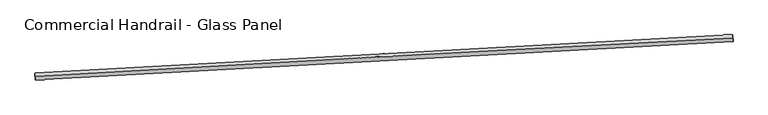
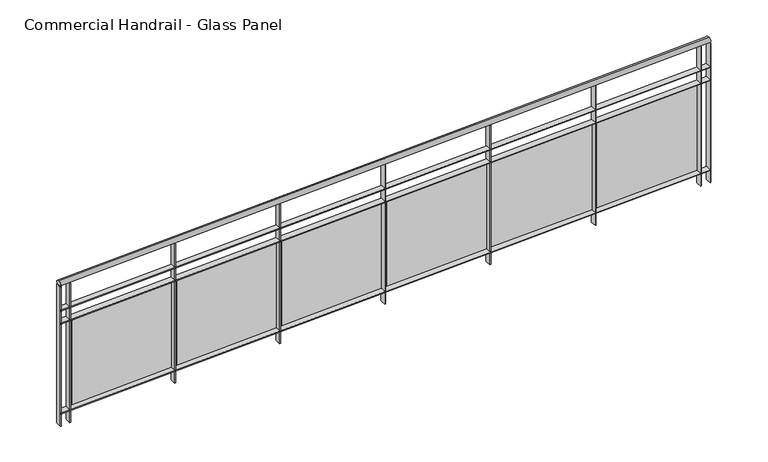
"""IFC4 building model written with IfcOpenShell, lengths in millimetres: railing geometry, Commercial Handrail - Glass Panel."""

import ifcopenshell
import ifcopenshell.guid

model = None  # the IFC model being written
_history = None  # IfcOwnerHistory: only IFC2X3 demands one
_inside = {}  # id of a spatial element -> (the spatial element, [elements in it])
_under = {}  # id of a project, library or spatial element -> (it, [spatial elements below it])
_declared = {}  # id of a project -> (the project, [libraries it declares])
_typed = {}  # id of a type object -> (the type object, [elements of that type])
_made_of = {}  # id of a material, layer set ... -> (it, [elements and type objects made of it])


def new_model(schema):
    """Start an empty IFC model of exactly this schema.

    Asked for "IFC4X3", IfcOpenShell would pick the latest addendum, in which some entities
    have other attributes; the version numbers below select the first issue.
    IFC2X3 requires an IfcOwnerHistory on every rooted entity: one is made here for all.
    """
    global model, _history
    if schema == "IFC4X3":
        model = ifcopenshell.file(schema_version=(4, 3, 0, 0))
    else:
        model = ifcopenshell.file(schema=schema)
    _inside.clear()
    _under.clear()
    _declared.clear()
    _typed.clear()
    _made_of.clear()
    _history = None
    if model.schema == "IFC2X3":
        org = make("IfcOrganization", Name="unknown")
        user = make(
            "IfcPersonAndOrganization",
            ThePerson=make("IfcPerson", FamilyName="unknown"),
            TheOrganization=org,
        )
        app = make(
            "IfcApplication",
            ApplicationDeveloper=org,
            Version="unknown",
            ApplicationFullName="unknown",
            ApplicationIdentifier="unknown",
        )
        _history = make(
            "IfcOwnerHistory",
            OwningUser=user,
            OwningApplication=app,
            ChangeAction="ADDED",
            CreationDate=0,
        )
    return model


def make(cls, **values):
    """One entity of the class cls with the attributes given. An attribute that is None is left unset."""
    return model.create_entity(
        cls, **{name: value for name, value in values.items() if value is not None}
    )


def rooted(cls, **values):
    """An entity with a GlobalId (a new one), such as an element, a storey or a relation."""
    return make(cls, GlobalId=ifcopenshell.guid.new(), OwnerHistory=_history, **values)


def si_unit(unit_type, name, prefix=None):
    """IfcSIUnit, for example si_unit("LENGTHUNIT", "METRE", prefix="MILLI")."""
    return make("IfcSIUnit", UnitType=unit_type, Prefix=prefix, Name=name)


def assignment(units):
    """IfcUnitAssignment: the units of a project."""
    return None if units is None else make("IfcUnitAssignment", Units=units)


def point(xyz):
    """IfcCartesianPoint."""
    return None if xyz is None else make("IfcCartesianPoint", Coordinates=xyz)


def direction(xyz):
    """IfcDirection."""
    return None if xyz is None else make("IfcDirection", DirectionRatios=xyz)


def frame(location, z_axis=None, x_axis=None):
    """IfcAxis2Placement3D, a coordinate frame: its origin and axes. An axis left out is left unset."""
    return make(
        "IfcAxis2Placement3D",
        Location=point(location),
        Axis=direction(z_axis),
        RefDirection=direction(x_axis),
    )


def origin():
    """The frame at (0, 0, 0) with its axes left unset."""
    return frame((0.0, 0.0, 0.0))


def place(relative_to, where):
    """IfcLocalPlacement: puts the frame where relative to a parent placement (None: the world)."""
    return make(
        "IfcLocalPlacement", PlacementRelTo=relative_to, RelativePlacement=where
    )


def context(
    kind, dimensions, precision=None, world=None, true_north=None, identifier=None
):
    """IfcGeometricRepresentationContext, for example the 3D "Model" context."""
    return make(
        "IfcGeometricRepresentationContext",
        ContextIdentifier=identifier,
        ContextType=kind,
        CoordinateSpaceDimension=dimensions,
        Precision=precision,
        WorldCoordinateSystem=world,
        TrueNorth=true_north,
    )


def project(units=None, contexts=None):
    """IfcProject with its units and contexts."""
    return rooted(
        "IfcProject",
        Name="project",
        RepresentationContexts=contexts,
        UnitsInContext=assignment(units),
    )


def spatial(cls, under=None, at=None, **own):
    """A site, building, storey or space (cls), placed at a placement, below another one or the project."""
    s = rooted(cls, ObjectPlacement=at, **own)
    if under is not None:
        _under.setdefault(under.id(), (under, []))[1].append(s)
    return s


def polyline(points):
    """IfcPolyline through the points."""
    return make("IfcPolyline", Points=[point(p) for p in points])


def circle_curve(where, radius):
    """IfcCircle in the frame where."""
    return make("IfcCircle", Position=where, Radius=radius)


def ellipse_curve(where, semi_axis1, semi_axis2):
    """IfcEllipse in the frame where."""
    return make(
        "IfcEllipse", Position=where, SemiAxis1=semi_axis1, SemiAxis2=semi_axis2
    )


def trimmed(basis, trim1, trim2, sense, master):
    """IfcTrimmedCurve: the piece of a basis curve between two trims."""
    return make(
        "IfcTrimmedCurve",
        BasisCurve=basis,
        Trim1=trim1,
        Trim2=trim2,
        SenseAgreement=sense,
        MasterRepresentation=master,
    )


def outline(outer, holes=None, kind="AREA"):
    """IfcArbitraryClosedProfileDef: a profile drawn as a closed curve; with holes, ...WithVoids."""
    if holes is None:
        return make("IfcArbitraryClosedProfileDef", ProfileType=kind, OuterCurve=outer)
    return make(
        "IfcArbitraryProfileDefWithVoids",
        ProfileType=kind,
        OuterCurve=outer,
        InnerCurves=holes,
    )


def extrude(swept, where, along, depth):
    """IfcExtrudedAreaSolid: the profile swept, set in the frame where, extruded along a direction by depth."""
    return make(
        "IfcExtrudedAreaSolid",
        SweptArea=swept,
        Position=where,
        ExtrudedDirection=direction(along),
        Depth=depth,
    )


def shape(context_of_items, identifier, shape_type, items):
    """IfcShapeRepresentation: the items that make up one representation, for example the "Body"."""
    return make(
        "IfcShapeRepresentation",
        ContextOfItems=context_of_items,
        RepresentationIdentifier=identifier,
        RepresentationType=shape_type,
        Items=items,
    )


def source(mapping_origin, context_of_items, identifier, shape_type, items):
    """IfcRepresentationMap: a shape defined once, which mapped items show again and again."""
    return make(
        "IfcRepresentationMap",
        MappingOrigin=mapping_origin,
        MappedRepresentation=shape(context_of_items, identifier, shape_type, items),
    )


def transform(
    local_origin,
    x_axis=None,
    y_axis=None,
    z_axis=None,
    scale=None,
    scale2=None,
    scale3=None,
    uniform=True,
):
    """IfcCartesianTransformationOperator3D, or its non-uniform kind. x_axis, y_axis, z_axis: its Axis1, 2, 3."""
    if uniform:
        return make(
            "IfcCartesianTransformationOperator3D",
            Axis1=direction(x_axis),
            Axis2=direction(y_axis),
            LocalOrigin=point(local_origin),
            Scale=scale,
            Axis3=direction(z_axis),
        )
    return make(
        "IfcCartesianTransformationOperator3DnonUniform",
        Axis1=direction(x_axis),
        Axis2=direction(y_axis),
        LocalOrigin=point(local_origin),
        Scale=scale,
        Axis3=direction(z_axis),
        Scale2=scale2,
        Scale3=scale3,
    )


def mapped(mapping_source, mapping_target):
    """IfcMappedItem: shows the shape of a source again, moved by a transform."""
    return make(
        "IfcMappedItem", MappingSource=mapping_source, MappingTarget=mapping_target
    )


def made_of(thing, what):
    """Note that an element or type object is made of a material, layer set ...; save() writes the relation."""
    if what is not None:
        _made_of.setdefault(what.id(), (what, []))[1].append(thing)
    return thing


def element(
    cls,
    number,
    at=None,
    inside=None,
    cuts=None,
    type_object=None,
    material=None,
    context=None,
    identifier="Body",
    shape_type=None,
    held_by="IfcProductDefinitionShape",
    body=None,
    shapes=None,
    **own,
):
    """One element of the class cls, such as IfcWall. Its Tag is "e" and its number.

    at: its placement. inside: the storey or other place that contains it. cuts: it is an
    opening in that element (IfcRelVoidsElement). A single representation is given by context,
    identifier, shape_type and body (its items); several are given by shapes. held_by: the class
    of the entity that holds the representations. save() writes the other relations.
    """
    e = rooted(cls, Tag="e%d" % number, ObjectPlacement=at, **own)
    if body is not None:
        shapes = [shape(context, identifier, shape_type, body)]
    if shapes is not None:
        e.Representation = make(held_by, Representations=shapes)
    if inside is not None:
        _inside.setdefault(inside.id(), (inside, []))[1].append(e)
    if cuts is not None:
        rooted(
            "IfcRelVoidsElement", RelatingBuildingElement=cuts, RelatedOpeningElement=e
        )
    if type_object is not None:
        _typed.setdefault(type_object.id(), (type_object, []))[1].append(e)
    return made_of(e, material)


def aggregate(whole, parts):
    """IfcRelAggregates: a whole, such as a stair, and the parts it consists of."""
    return rooted("IfcRelAggregates", RelatingObject=whole, RelatedObjects=parts)


def save(model, path):
    """Write the relations noted so far, then the file.

    IfcRelAggregates (storeys below a building ...), IfcRelContainedInSpatialStructure (elements
    in a storey), IfcRelDefinesByType, IfcRelAssociatesMaterial and IfcRelDeclares: one each for
    every whole, place, type object, material and project.
    """
    for whole, parts in _under.values():
        aggregate(whole, parts)
    for where, things in _inside.values():
        rooted(
            "IfcRelContainedInSpatialStructure",
            RelatedElements=things,
            RelatingStructure=where,
        )
    for kind, things in _typed.values():
        rooted("IfcRelDefinesByType", RelatedObjects=things, RelatingType=kind)
    for what, things in _made_of.values():
        rooted("IfcRelAssociatesMaterial", RelatedObjects=things, RelatingMaterial=what)
    for by, libraries in _declared.values():
        rooted("IfcRelDeclares", RelatingContext=by, RelatedDefinitions=libraries)
    model.write(path)


def plane_surface(at):
    """IfcPlane: the flat surface through the origin of the frame at, square to its z axis."""
    return make("IfcPlane", Position=at)


def cylinder_surface(at, radius):
    """IfcCylindricalSurface: all points at the distance radius from the z axis of the frame at."""
    return make("IfcCylindricalSurface", Position=at, Radius=radius)


def revolved_surface(curve, axis_point, axis_direction):
    """IfcSurfaceOfRevolution: the curve turned about the line through axis_point along axis_direction."""
    return make(
        "IfcSurfaceOfRevolution",
        SweptCurve=make("IfcArbitraryOpenProfileDef", ProfileType="CURVE", Curve=curve),
        AxisPosition=make("IfcAxis1Placement", Location=point(axis_point), Axis=direction(axis_direction)),
    )


def advanced_brep(points, edges, surfaces, faces):
    """IfcAdvancedBrep: a solid bounded by faces that lie on surfaces and meet in shared edges.

    An edge is (start, end): straight between two places in points (the first is 0);
    or (start, end, curve); or (start, end, curve, False) where it runs against its curve.
    A face is (place in surfaces, loops), or (place, loops, False) where it looks against
    its surface's normal. A loop lists edges by number (the first is 1), with a minus sign
    where the edge is run from its end to its start. The first loop is the outer one.
    """
    corners = [point(p) for p in points]
    vertices = [make("IfcVertexPoint", VertexGeometry=c) for c in corners]
    made = []
    for start, end, *more in edges:
        made.append(
            make(
                "IfcEdgeCurve",
                EdgeStart=vertices[start],
                EdgeEnd=vertices[end],
                EdgeGeometry=more[0] if more else make("IfcPolyline", Points=[corners[start], corners[end]]),
                SameSense=more[1] if len(more) > 1 else True,
            )
        )
    hull = []
    for where, loops, *sense in faces:
        bounds = []
        for j, loop in enumerate(loops):
            ring = [make("IfcOrientedEdge", EdgeElement=made[abs(k) - 1], Orientation=k > 0) for k in loop]
            bounds.append(
                make(
                    "IfcFaceOuterBound" if j == 0 else "IfcFaceBound",
                    Bound=make("IfcEdgeLoop", EdgeList=ring),
                    Orientation=True,
                )
            )
        hull.append(make("IfcAdvancedFace", Bounds=bounds, FaceSurface=surfaces[where], SameSense=sense[0] if sense else True))
    return make("IfcAdvancedBrep", Outer=make("IfcClosedShell", CfsFaces=hull))


def commercial_handrail_glass_panel_0377ceee(model_context):
    return source(origin(), model_context, "Body", "SolidModel", [
        advanced_brep(
        [(75374.0222019, -10045.9404485, 12882.5), (70436.2083827, -10318.8107555, 12882.5), (70436.2083827, -10318.8107555, 12917.5), (75374.0222019, -10045.9404485, 12917.5)],
        [
            (0, 1, circle_curve(frame((107193.6387165, -630661.5572849, 12882.5), z_axis=(0.0, 0.0, 1.0), x_axis=(-0.05914967633209109, 0.9982491251134703, 0.0)), 621430.7941005)),
            (1, 2, ellipse_curve(frame((70436.2083827, -10318.8107555, 12900.0), z_axis=(0.9982491251134706, 0.059149676332084636, 0.0), x_axis=(0.059149676332084636, -0.9982491251134706, 0.0)), 25.0, 17.5)),
            (2, 3, circle_curve(frame((107193.6387165, -630661.5572849, 12917.5), z_axis=(0.0, 0.0, -1.0), x_axis=(-0.05914967633209109, 0.9982491251134703, 0.0)), 621430.7941005)),
            (3, 0, ellipse_curve(frame((75374.0222019, -10045.9404485, 12900.0), z_axis=(-0.9986882251864158, -0.05120379745690093, 0.0), x_axis=(0.051203797456900915, -0.9986882251864155, 0.0)), 25.0, 17.5)),
            (2, 1, ellipse_curve(frame((70436.2083827, -10318.8107555, 12900.0), z_axis=(0.9982491251134706, 0.059149676332084636, 0.0), x_axis=(0.059149676332084636, -0.9982491251134706, 0.0)), 25.0, 17.5)),
            (0, 3, ellipse_curve(frame((75374.0222019, -10045.9404485, 12900.0), z_axis=(-0.9986882251864158, -0.05120379745690093, 0.0), x_axis=(0.051203797456900915, -0.9986882251864155, 0.0)), 25.0, 17.5)),
        ],
        [
            revolved_surface(trimmed(ellipse_curve(frame((70436.2083827, -10318.8107555, 12900.0), z_axis=(-0.9982491251134703, -0.05914967633209109, 0.0), x_axis=(0.0, 0.0, -1.0)), 17.5, 25.0), [point((70436.2083827, -10318.8107555, 12917.5))], [point((70436.2083827, -10318.8107555, 12882.5))], True, "CARTESIAN"), (107193.6387165, -630661.5572849, 12900.0), (0.0, 0.0, -1.0)),
            revolved_surface(trimmed(ellipse_curve(frame((70436.2083827, -10318.8107555, 12900.0), z_axis=(-0.9982491251134703, -0.05914967633209109, 0.0), x_axis=(0.0, 0.0, -1.0)), 17.5, 25.0), [point((70436.2083827, -10318.8107555, 12882.5))], [point((70436.2083827, -10318.8107555, 12917.5))], True, "CARTESIAN"), (107193.6387165, -630661.5572849, 12900.0), (0.0, 0.0, -1.0)),
            plane_surface(frame((70436.2083827, -10318.8107555, 12900.0), z_axis=(-0.9982491251134703, -0.05914967633209109, 0.0), x_axis=(0.05914967633209109, -0.9982491251134703, 0.0))),
            plane_surface(frame((75374.0222019, -10045.9404485, 12900.0), z_axis=(0.9986882251864156, 0.05120379745690092, 0.0), x_axis=(0.05120379745690092, -0.9986882251864156, 0.0))),
        ],
        [
            (0, [[1, 2, 3, 4]]),
            (1, [[-3, 5, -1, 6]]),
            (2, [[-2, -5]]),
            (3, [[-6, -4]]),
        ],
    ),
        advanced_brep(
        [(75372.8701165, -10023.4699634, 12700.0), (70434.8775149, -10296.3501502, 12700.0), (70437.5392504, -10341.2713608, 12700.0), (75375.1742873, -10068.4109335, 12700.0), (75372.8701165, -10023.4699634, 12694.0), (70434.8775149, -10296.3501502, 12694.0), (75375.1742873, -10068.4109335, 12694.0), (70437.5392504, -10341.2713608, 12694.0)],
        [
            (0, 1, circle_curve(frame((107193.6387165, -630661.5572849, 12700.0), z_axis=(0.0, 0.0, 1.0), x_axis=(-0.05914967633209109, 0.9982491251134703, 0.0)), 621453.2941005)),
            (1, 2),
            (2, 3, circle_curve(frame((107193.6387165, -630661.5572849, 12700.0), z_axis=(0.0, 0.0, -1.0), x_axis=(-0.05914967633209109, 0.9982491251134703, 0.0)), 621408.2941005)),
            (3, 0),
            (4, 5, circle_curve(frame((107193.6387165, -630661.5572849, 12694.0), z_axis=(0.0, 0.0, 1.0), x_axis=(-0.05914967633209109, 0.9982491251134703, 0.0)), 621453.2941005)),
            (5, 1),
            (0, 4),
            (6, 7, circle_curve(frame((107193.6387165, -630661.5572849, 12694.0), z_axis=(0.0, 0.0, 1.0), x_axis=(-0.05914967633209109, 0.9982491251134703, 0.0)), 621408.2941005)),
            (7, 5),
            (4, 6),
            (2, 7),
            (6, 3),
        ],
        [
            plane_surface(frame((107193.6387165, -630661.5572849, 12700.0), z_axis=(0.0, 0.0, 1.0), x_axis=(-0.05914967633209109, 0.9982491251134703, 0.0))),
            cylinder_surface(frame((107193.6387165, -630661.5572849, 12700.0), z_axis=(0.0, 0.0, -1.0), x_axis=(-0.05914967633209109, 0.9982491251134703, 0.0)), 621453.2941005),
            plane_surface(frame((107193.6387165, -630661.5572849, 12694.0), z_axis=(0.0, 0.0, -1.0), x_axis=(-0.05914967633209109, 0.9982491251134703, 0.0))),
            revolved_surface(polyline([(70437.53925037856, -10341.271360821906, 12694.0), (70437.53925037856, -10341.271360821906, 12700.0)]), (107193.6387165, -630661.5572849, 12700.0), (0.0, 0.0, -1.0)),
            plane_surface(frame((70436.2083827, -10318.8107555, 12700.0), z_axis=(-0.9982491251134703, -0.05914967633209109, 0.0), x_axis=(0.05914967633209109, -0.9982491251134703, 0.0))),
            plane_surface(frame((75374.0222019, -10045.9404485, 12700.0), z_axis=(0.9986882251864156, 0.05120379745690092, 0.0), x_axis=(0.05120379745690092, -0.9986882251864156, 0.0))),
        ],
        [
            (0, [[1, 2, 3, 4]]),
            (1, [[5, 6, -1, 7]]),
            (2, [[8, 9, -5, 10]]),
            (3, [[-3, 11, -8, 12]]),
            (4, [[-2, -6, -9, -11]]),
            (5, [[-12, -10, -7, -4]]),
        ],
    ),
        advanced_brep(
        [(75372.8701165, -10023.4699634, 12600.0), (70434.8775149, -10296.3501502, 12600.0), (70437.5392504, -10341.2713608, 12600.0), (75375.1742873, -10068.4109335, 12600.0), (75372.8701165, -10023.4699634, 12594.0), (70434.8775149, -10296.3501502, 12594.0), (75375.1742873, -10068.4109335, 12594.0), (70437.5392504, -10341.2713608, 12594.0)],
        [
            (0, 1, circle_curve(frame((107193.6387165, -630661.5572849, 12600.0), z_axis=(0.0, 0.0, 1.0), x_axis=(-0.05914967633209109, 0.9982491251134703, 0.0)), 621453.2941005)),
            (1, 2),
            (2, 3, circle_curve(frame((107193.6387165, -630661.5572849, 12600.0), z_axis=(0.0, 0.0, -1.0), x_axis=(-0.05914967633209109, 0.9982491251134703, 0.0)), 621408.2941005)),
            (3, 0),
            (4, 5, circle_curve(frame((107193.6387165, -630661.5572849, 12594.0), z_axis=(0.0, 0.0, 1.0), x_axis=(-0.05914967633209109, 0.9982491251134703, 0.0)), 621453.2941005)),
            (5, 1),
            (0, 4),
            (6, 7, circle_curve(frame((107193.6387165, -630661.5572849, 12594.0), z_axis=(0.0, 0.0, 1.0), x_axis=(-0.05914967633209109, 0.9982491251134703, 0.0)), 621408.2941005)),
            (7, 5),
            (4, 6),
            (2, 7),
            (6, 3),
        ],
        [
            plane_surface(frame((107193.6387165, -630661.5572849, 12600.0), z_axis=(0.0, 0.0, 1.0), x_axis=(-0.05914967633209109, 0.9982491251134703, 0.0))),
            cylinder_surface(frame((107193.6387165, -630661.5572849, 12600.0), z_axis=(0.0, 0.0, -1.0), x_axis=(-0.05914967633209109, 0.9982491251134703, 0.0)), 621453.2941005),
            plane_surface(frame((107193.6387165, -630661.5572849, 12594.0), z_axis=(0.0, 0.0, -1.0), x_axis=(-0.05914967633209109, 0.9982491251134703, 0.0))),
            revolved_surface(polyline([(70437.53925037856, -10341.271360821906, 12594.0), (70437.53925037856, -10341.271360821906, 12600.0)]), (107193.6387165, -630661.5572849, 12600.0), (0.0, 0.0, -1.0)),
            plane_surface(frame((70436.2083827, -10318.8107555, 12600.0), z_axis=(-0.9982491251134703, -0.05914967633209109, 0.0), x_axis=(0.05914967633209109, -0.9982491251134703, 0.0))),
            plane_surface(frame((75374.0222019, -10045.9404485, 12600.0), z_axis=(0.9986882251864156, 0.05120379745690092, 0.0), x_axis=(0.05120379745690092, -0.9986882251864156, 0.0))),
        ],
        [
            (0, [[1, 2, 3, 4]]),
            (1, [[5, 6, -1, 7]]),
            (2, [[8, 9, -5, 10]]),
            (3, [[-3, 11, -8, 12]]),
            (4, [[-2, -6, -9, -11]]),
            (5, [[-12, -10, -7, -4]]),
        ],
    ),
        advanced_brep(
        [(75372.8701165, -10023.4699634, 11900.0), (70434.8775149, -10296.3501502, 11900.0), (70437.5392504, -10341.2713608, 11900.0), (75375.1742873, -10068.4109335, 11900.0), (75372.8701165, -10023.4699634, 11894.0), (70434.8775149, -10296.3501502, 11894.0), (75375.1742873, -10068.4109335, 11894.0), (70437.5392504, -10341.2713608, 11894.0)],
        [
            (0, 1, circle_curve(frame((107193.6387165, -630661.5572849, 11900.0), z_axis=(0.0, 0.0, 1.0), x_axis=(-0.05914967633209109, 0.9982491251134703, 0.0)), 621453.2941005)),
            (1, 2),
            (2, 3, circle_curve(frame((107193.6387165, -630661.5572849, 11900.0), z_axis=(0.0, 0.0, -1.0), x_axis=(-0.05914967633209109, 0.9982491251134703, 0.0)), 621408.2941005)),
            (3, 0),
            (4, 5, circle_curve(frame((107193.6387165, -630661.5572849, 11894.0), z_axis=(0.0, 0.0, 1.0), x_axis=(-0.05914967633209109, 0.9982491251134703, 0.0)), 621453.2941005)),
            (5, 1),
            (0, 4),
            (6, 7, circle_curve(frame((107193.6387165, -630661.5572849, 11894.0), z_axis=(0.0, 0.0, 1.0), x_axis=(-0.05914967633209109, 0.9982491251134703, 0.0)), 621408.2941005)),
            (7, 5),
            (4, 6),
            (2, 7),
            (6, 3),
        ],
        [
            plane_surface(frame((107193.6387165, -630661.5572849, 11900.0), z_axis=(0.0, 0.0, 1.0), x_axis=(-0.05914967633209109, 0.9982491251134703, 0.0))),
            cylinder_surface(frame((107193.6387165, -630661.5572849, 11900.0), z_axis=(0.0, 0.0, -1.0), x_axis=(-0.05914967633209109, 0.9982491251134703, 0.0)), 621453.2941005),
            plane_surface(frame((107193.6387165, -630661.5572849, 11894.0), z_axis=(0.0, 0.0, -1.0), x_axis=(-0.05914967633209109, 0.9982491251134703, 0.0))),
            revolved_surface(polyline([(70437.53925037856, -10341.271360821906, 11894.0), (70437.53925037856, -10341.271360821906, 11900.0)]), (107193.6387165, -630661.5572849, 11900.0), (0.0, 0.0, -1.0)),
            plane_surface(frame((70436.2083827, -10318.8107555, 11900.0), z_axis=(-0.9982491251134703, -0.05914967633209109, 0.0), x_axis=(0.05914967633209109, -0.9982491251134703, 0.0))),
            plane_surface(frame((75374.0222019, -10045.9404485, 11900.0), z_axis=(0.9986882251864156, 0.05120379745690092, 0.0), x_axis=(0.05120379745690092, -0.9986882251864156, 0.0))),
        ],
        [
            (0, [[1, 2, 3, 4]]),
            (1, [[5, 6, -1, 7]]),
            (2, [[8, 9, -5, 10]]),
            (3, [[-3, 11, -8, 12]]),
            (4, [[-2, -6, -9, -11]]),
            (5, [[-12, -10, -7, -4]]),
        ],
    ),
        extrude(outline(polyline([(75299.59607, -10072.2905153), (75297.286643, -10027.349815), (75303.2787363, -10027.0418914), (75305.5881633, -10071.9825917), (75299.59607, -10072.2905153)])), frame((0.0, 0.0, 11800.0), z_axis=(0.0, 0.0, 1.0), x_axis=(1.0, 0.0, 0.0)), (0.0, 0.0, 1.0), 1082.1192282),
        extrude(outline(polyline([(74522.1727493, -10084.0772121), (75281.1459809, -10044.5850151), (75281.7695419, -10056.568803), (74522.7963103, -10096.061), (74522.1727493, -10084.0772121)])), frame((0.0, 0.0, 11920.0), z_axis=(0.0, 0.0, 1.0), x_axis=(1.0, 0.0, 0.0)), (0.0, 0.0, 1.0), 660.0),
        extrude(outline(polyline([(74500.7060609, -10113.8635979), (74498.3387813, -10068.9259078), (74504.3304733, -10068.6102705), (74506.6977529, -10113.5479606), (74500.7060609, -10113.8635979)])), frame((0.0, 0.0, 11800.0), z_axis=(0.0, 0.0, 1.0), x_axis=(1.0, 0.0, 0.0)), (0.0, 0.0, 1.0), 1082.1192282),
        extrude(outline(polyline([(73723.298558, -10126.6511019), (74482.2203204, -10086.1818723), (74482.8593083, -10098.1648475), (73723.9375458, -10138.634077), (73723.298558, -10126.6511019)])), frame((0.0, 0.0, 11920.0), z_axis=(0.0, 0.0, 1.0), x_axis=(1.0, 0.0, 0.0)), (0.0, 0.0, 1.0), 660.0),
        extrude(outline(polyline([(73701.8702329, -10156.4650981), (73699.4451047, -10111.5304928), (73705.4363855, -10111.2071424), (73707.8615137, -10156.1417477), (73701.8702329, -10156.4650981)])), frame((0.0, 0.0, 11800.0), z_axis=(0.0, 0.0, 1.0), x_axis=(1.0, 0.0, 0.0)), (0.0, 0.0, 1.0), 1082.1192282),
        extrude(outline(polyline([(72924.4798363, -10170.2533881), (73683.3488717, -10128.8071931), (73684.0032853, -10140.7893358), (72925.1342499, -10182.2355307), (72924.4798363, -10170.2533881)])), frame((0.0, 0.0, 11920.0), z_axis=(0.0, 0.0, 1.0), x_axis=(1.0, 0.0, 0.0)), (0.0, 0.0, 1.0), 660.0),
        extrude(outline(polyline([(72903.0899101, -10200.0949454), (72900.6069372, -10155.1634993), (72906.5977967, -10154.8324363), (72909.0807695, -10199.7638824), (72903.0899101, -10200.0949454)])), frame((0.0, 0.0, 11800.0), z_axis=(0.0, 0.0, 1.0), x_axis=(1.0, 0.0, 0.0)), (0.0, 0.0, 1.0), 1082.1192282),
        extrude(outline(polyline([(72125.7179079, -10214.8839986), (72884.5329587, -10172.4609069), (72885.202797, -10184.4421971), (72126.3877462, -10226.8652888), (72125.7179079, -10214.8839986)])), frame((0.0, 0.0, 11920.0), z_axis=(0.0, 0.0, 1.0), x_axis=(1.0, 0.0, 0.0)), (0.0, 0.0, 1.0), 660.0),
        extrude(outline(polyline([(72104.366416, -10244.7530675), (72101.8256027, -10199.8248551), (72107.816031, -10199.48608), (72110.3568443, -10244.4142924), (72104.366416, -10244.7530675)])), frame((0.0, 0.0, 11800.0), z_axis=(0.0, 0.0, 1.0), x_axis=(1.0, 0.0, 0.0)), (0.0, 0.0, 1.0), 1082.1192282),
        extrude(outline(polyline([(71327.0140968, -10260.5428593), (72085.7739053, -10217.1429412), (72086.4591672, -10229.1233592), (71327.6993586, -10272.5232773), (71327.0140968, -10260.5428593)])), frame((0.0, 0.0, 11920.0), z_axis=(0.0, 0.0, 1.0), x_axis=(1.0, 0.0, 0.0)), (0.0, 0.0, 1.0), 660.0),
        extrude(outline(polyline([(71305.7010745, -10290.4393904), (71303.1024249, -10245.5144861), (71309.0924121, -10245.1679995), (71311.6910617, -10290.0929037), (71305.7010745, -10290.4393904)])), frame((0.0, 0.0, 11800.0), z_axis=(0.0, 0.0, 1.0), x_axis=(1.0, 0.0, 0.0)), (0.0, 0.0, 1.0), 1082.1192282),
        extrude(outline(polyline([(70528.3697264, -10307.2298946), (71287.0730353, -10262.853222), (71287.7737196, -10274.8327479), (70529.0704107, -10319.2094206), (70528.3697264, -10307.2298946)])), frame((0.0, 0.0, 11920.0), z_axis=(0.0, 0.0, 1.0), x_axis=(1.0, 0.0, 0.0)), (0.0, 0.0, 1.0), 660.0),
        extrude(outline(polyline([(70507.0952092, -10337.1538383), (70504.4387276, -10292.2323167), (70510.4282638, -10291.8781191), (70513.0847454, -10336.7996407), (70507.0952092, -10337.1538383)])), frame((0.0, 0.0, 11800.0), z_axis=(0.0, 0.0, 1.0), x_axis=(1.0, 0.0, 0.0)), (0.0, 0.0, 1.0), 1082.1192282),
        extrude(outline(polyline([(75372.1782227, -10068.5645449), (75369.8740518, -10023.6235748), (75375.8661811, -10023.316352), (75378.170352, -10068.2573221), (75372.1782227, -10068.5645449)])), frame((0.0, 0.0, 11800.0), z_axis=(0.0, 0.0, 1.0), x_axis=(1.0, 0.0, 0.0)), (0.0, 0.0, 1.0), 1082.1192282),
        extrude(outline(polyline([(70434.544503, -10341.4488098), (70431.8827676, -10296.5275992), (70437.8722623, -10296.1727011), (70440.5339978, -10341.0939118), (70434.544503, -10341.4488098)])), frame((0.0, 0.0, 11800.0), z_axis=(0.0, 0.0, 1.0), x_axis=(1.0, 0.0, 0.0)), (0.0, 0.0, 1.0), 1082.1192282),
    ])


if __name__ == "__main__":
    model = new_model("IFC4")
    model_context = context("Model", 3, world=origin())
    ifc_project = project(units=[si_unit("LENGTHUNIT", "METRE", prefix="MILLI")], contexts=[model_context])
    site = spatial("IfcSite", under=ifc_project)
    building = spatial("IfcBuilding", under=site)
    placement = place(None, origin())
    commercial_handrail_glass_panel_shape = commercial_handrail_glass_panel_0377ceee(model_context)
    element("IfcRailing", 1, ObjectType="Commercial Handrail - Glass Panel", at=placement, inside=building, context=model_context, shape_type="MappedRepresentation", body=[
        mapped(commercial_handrail_glass_panel_shape, transform((0.0, 0.0, 0.0), x_axis=(1.0, 0.0, 0.0), y_axis=(0.0, 1.0, 0.0), z_axis=(0.0, 0.0, 1.0))),
    ])
    save(model, "model.ifc")
